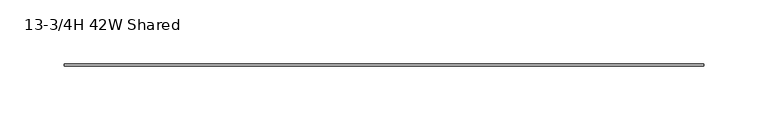
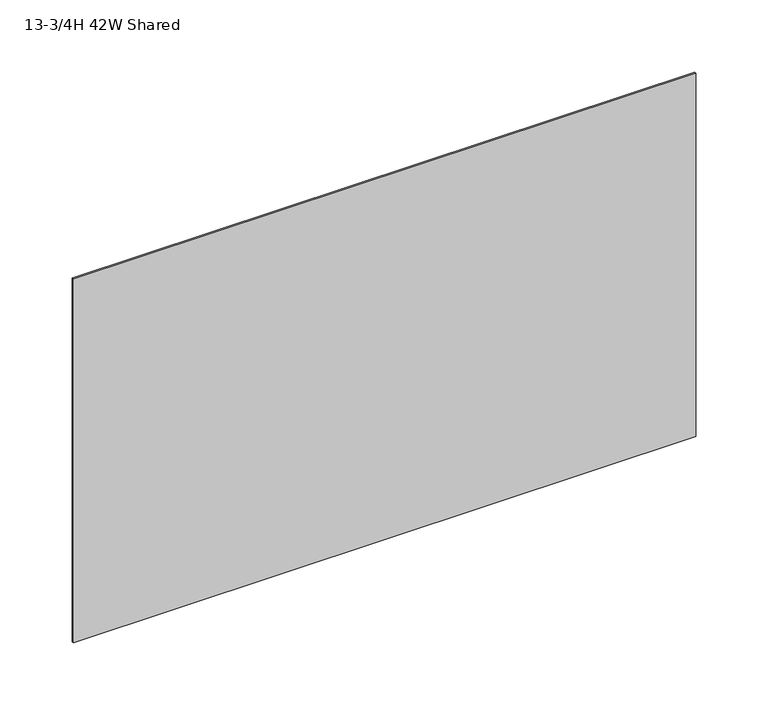
"""IFC4 building model written with IfcOpenShell, lengths in millimetres: furniture geometry, 13-3/4H 42W Shared."""

from ifc_helpers import new_model, si_unit, frame, origin, place, context, project, spatial, polyline, outline, extrude, source, transform, mapped, element, save


def furniture_13_3_4h_42w_shared_c39c8650(model_context):
    return source(origin(), model_context, "Body", "SweptSolid", [
        extrude(outline(polyline([(498.348, -12.192), (0.0, -12.192), (0.0, -10.7442), (498.348, -10.7442), (498.348, -12.192)])), frame((0.0, 0.0, 816.7623999), z_axis=(0.0, 0.0, 1.0), x_axis=(1.0, 0.0, 0.0)), (0.0, 0.0, 1.0), 307.7718001),
    ])


if __name__ == "__main__":
    model = new_model("IFC4")
    model_context = context("Model", 3, world=origin())
    ifc_project = project(units=[si_unit("LENGTHUNIT", "METRE", prefix="MILLI")], contexts=[model_context])
    site = spatial("IfcSite", under=ifc_project)
    building = spatial("IfcBuilding", under=site)
    placement = place(None, origin())
    furniture_13_3_4h_42w_shared_shape = furniture_13_3_4h_42w_shared_c39c8650(model_context)
    element("IfcFurniture", 1, ObjectType="13-3/4H 42W Shared", at=placement, inside=building, context=model_context, shape_type="MappedRepresentation", body=[
        mapped(furniture_13_3_4h_42w_shared_shape, transform((0.0, 0.0, 0.0), x_axis=(1.0, 0.0, 0.0), y_axis=(0.0, 1.0, 0.0), z_axis=(0.0, 0.0, 1.0))),
    ])
    save(model, "model.ifc")
